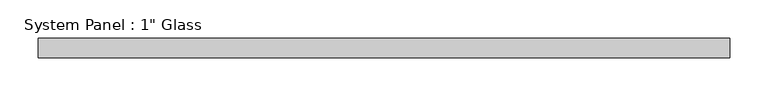
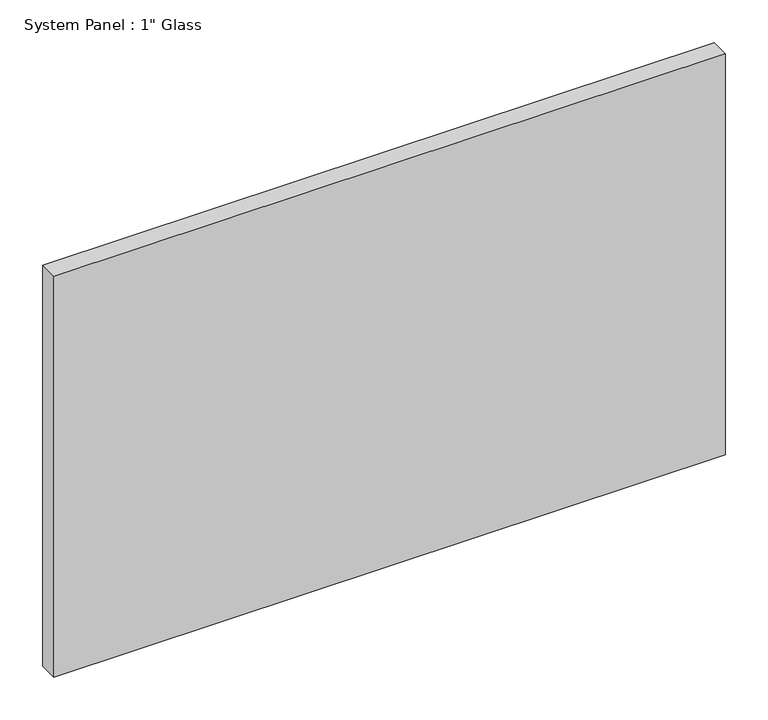
"""IFC4 building model written with IfcOpenShell, lengths in millimetres: plate geometry."""

from ifc_helpers import new_model, si_unit, origin, origin_with_axes, place, context, project, spatial, polyline, outline, extrude, source, transform, mapped, element, save


def plate_78d68dc8(model_context):
    return source(origin(), model_context, "Body", "SweptSolid", [
        extrude(outline(polyline([(452.4375, -12.7), (-452.4375, -12.7), (-452.4375, 12.7), (452.4375, 12.7), (452.4375, -12.7)])), origin_with_axes(), (0.0, 0.0, 1.0), 571.5),
    ])


if __name__ == "__main__":
    model = new_model("IFC4")
    model_context = context("Model", 3, world=origin())
    ifc_project = project(units=[si_unit("LENGTHUNIT", "METRE", prefix="MILLI")], contexts=[model_context])
    site = spatial("IfcSite", under=ifc_project)
    building = spatial("IfcBuilding", under=site)
    placement = place(None, origin())
    plate_shape = plate_78d68dc8(model_context)
    element("IfcPlate", 1, ObjectType="System Panel : 1\" Glass", at=placement, inside=building, context=model_context, shape_type="MappedRepresentation", body=[
        mapped(plate_shape, transform((0.0, 0.0, 0.0), x_axis=(1.0, 0.0, 0.0), y_axis=(0.0, 1.0, 0.0), z_axis=(0.0, 0.0, 1.0))),
    ])
    save(model, "model.ifc")
